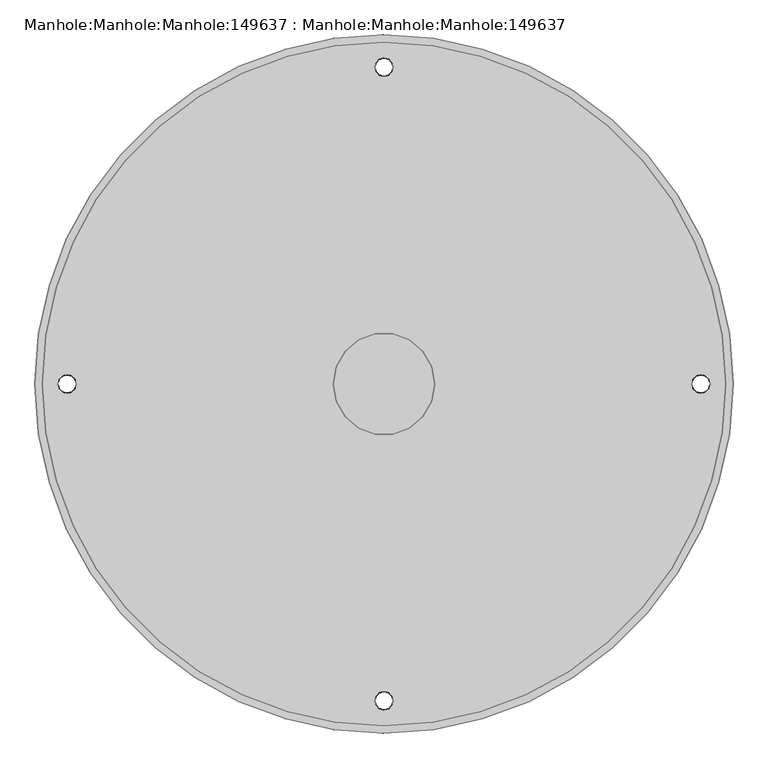
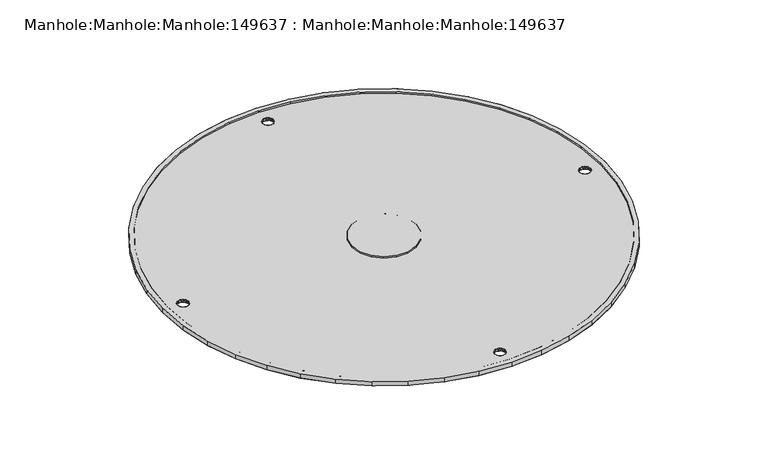
"""IFC4 building model written with IfcOpenShell, lengths in millimetres: proxy geometry, Manhole:Manhole:Manhole:149637 : Manhole:Manhole:Manhole:149637."""

from ifc_helpers import new_model, si_unit, origin, place, context, project, spatial, triangles, source, transform, mapped, element, save


def manhole_manhole_manhole_149637_manhole_manhole_manhole_f553eec3(model_context):
    return source(origin(), model_context, "Body", "Tessellation", [
        triangles([(-95945.9947266, 93799.5210938, 238614.1050293), (-95952.198999, 93886.2692871, 238614.1050293), (-95970.6908936, 93971.2594482, 238614.1050293), (-96001.0797363, 94052.7521484, 238614.1050293), (-96042.7702148, 94129.0916748, 238614.1050293), (-96094.8879639, 94198.715332, 238614.1050293), (-96156.3911865, 94260.2185547, 238614.1050293), (-96226.0241455, 94312.3456055, 238614.1050293), (-96302.3543701, 94354.0267822, 238614.1050293), (-96383.8470703, 94384.4249268, 238614.1050293), (-96468.8372314, 94402.9075195, 238614.1050293), (-96555.5947266, 94409.1210938, 238614.1050293), (-96642.3522217, 94402.9075195, 238614.1050293), (-96727.3423828, 94384.4249268, 238614.1050293), (-96808.835083, 94354.0267822, 238614.1050293), (-96885.1653076, 94312.3456055, 238614.1050293), (-96954.7982666, 94260.2185547, 238614.1050293), (-97016.3014893, 94198.715332, 238614.1050293), (-97068.4192383, 94129.0916748, 238614.1050293), (-97110.1097168, 94052.7521484, 238614.1050293), (-97140.4985596, 93971.2594482, 238614.1050293), (-97158.9904541, 93886.2692871, 238614.1050293), (-97165.1947266, 93799.5210938, 238614.1050293), (-97158.9904541, 93712.7635986, 238614.1050293), (-97140.4985596, 93627.7734375, 238614.1050293), (-97110.1097168, 93546.2807373, 238614.1050293), (-97068.4192383, 93469.9412109, 238614.1050293), (-97016.3014893, 93400.3175537, 238614.1050293), (-96954.7982666, 93338.8143311, 238614.1050293), (-96885.1653076, 93286.6872803, 238614.1050293), (-96808.835083, 93245.0061035, 238614.1050293), (-96727.3423828, 93214.607959, 238614.1050293), (-96642.3522217, 93196.1253662, 238614.1050293), (-96555.5947266, 93189.9210938, 238614.1050293), (-96468.8372314, 93196.1253662, 238614.1050293), (-96383.8470703, 93214.607959, 238614.1050293), (-96302.3543701, 93245.0061035, 238614.1050293), (-96226.0241455, 93286.6872803, 238614.1050293), (-96156.3911865, 93338.8143311, 238614.1050293), (-96094.8879639, 93400.3175537, 238614.1050293), (-96042.7702148, 93469.9412109, 238614.1050293), (-96001.0797363, 93546.2807373, 238614.1050293), (-95970.6908936, 93627.7734375, 238614.1050293), (-95952.198999, 93712.7635986, 238614.1050293), (-97152.4978271, 93799.5210938, 238614.1050293), (-97146.4237793, 93884.4647461, 238614.1050293), (-97128.3132568, 93967.6782715, 238614.1050293), (-97098.5569336, 94047.4780518, 238614.1050293), (-97057.7408203, 94122.2269775, 238614.1050293), (-97006.7020752, 94190.3995605, 238614.1050293), (-96946.4824951, 94250.6191406, 238614.1050293), (-96878.3006104, 94301.6578857, 238614.1050293), (-96803.5516846, 94342.473999, 238614.1050293), (-96723.7612061, 94372.239624, 238614.1050293), (-96640.5383789, 94390.3408447, 238614.1050293), (-96555.5947266, 94396.4148926, 238614.1050293), (-96470.6510742, 94390.3408447, 238614.1050293), (-96387.4282471, 94372.239624, 238614.1050293), (-96307.6377686, 94342.473999, 238614.1050293), (-96232.8888428, 94301.6578857, 238614.1050293), (-96164.706958, 94250.6191406, 238614.1050293), (-96104.4873779, 94190.3995605, 238614.1050293), (-96053.4486328, 94122.2269775, 238614.1050293), (-96012.6325195, 94047.4780518, 238614.1050293), (-95982.8761963, 93967.6782715, 238614.1050293), (-95964.7749756, 93884.4647461, 238614.1050293), (-95958.691626, 93799.5210938, 238614.1050293), (-95964.7749756, 93714.5681396, 238614.1050293), (-95982.8761963, 93631.3546143, 238614.1050293), (-96012.6325195, 93551.554834, 238614.1050293), (-96053.4486328, 93476.8059082, 238614.1050293), (-96104.4873779, 93408.6333252, 238614.1050293), (-96164.706958, 93348.4137451, 238614.1050293), (-96232.8888428, 93297.375, 238614.1050293), (-96307.6377686, 93256.5588867, 238614.1050293), (-96387.4282471, 93226.7932617, 238614.1050293), (-96470.6510742, 93208.692041, 238614.1050293), (-96555.5947266, 93202.6179932, 238614.1050293), (-96640.5383789, 93208.692041, 238614.1050293), (-96723.7612061, 93226.7932617, 238614.1050293), (-96803.5516846, 93256.5588867, 238614.1050293), (-96878.3006104, 93297.375, 238614.1050293), (-96946.4824951, 93348.4137451, 238614.1050293), (-97006.7020752, 93408.6333252, 238614.1050293), (-97057.7408203, 93476.8059082, 238614.1050293), (-97098.5569336, 93551.554834, 238614.1050293), (-97128.3132568, 93631.3546143, 238614.1050293), (-97146.4237793, 93714.5681396, 238614.1050293), (-96644.491626, 93799.5210938, 238614.1050293), (-96639.1338135, 93769.1136475, 238614.1050293), (-96623.6928955, 93742.3710938, 238614.1050293), (-96600.0478271, 93722.5304443, 238614.1050293), (-96571.0356445, 93711.9636475, 238614.1050293), (-96540.1538086, 93711.9636475, 238614.1050293), (-96511.141626, 93722.5304443, 238614.1050293), (-96487.4965576, 93742.3710938, 238614.1050293), (-96472.0556396, 93769.1136475, 238614.1050293), (-96466.6978271, 93799.5210938, 238614.1050293), (-96472.0556396, 93829.9192383, 238614.1050293), (-96487.4965576, 93856.661792, 238614.1050293), (-96511.141626, 93876.5024414, 238614.1050293), (-96540.1538086, 93887.0692383, 238614.1050293), (-96571.0356445, 93887.0692383, 238614.1050293), (-96600.0478271, 93876.5024414, 238614.1050293), (-96623.6928955, 93856.661792, 238614.1050293), (-96639.1338135, 93829.9192383, 238614.1050293), (-95945.9947266, 93799.5210938, 238601.4174316), (-95952.198999, 93712.7635986, 238601.4174316), (-95970.6908936, 93627.7734375, 238601.4174316), (-96001.0797363, 93546.2807373, 238601.4174316), (-96042.7702148, 93469.9412109, 238601.4174316), (-96094.8879639, 93400.3175537, 238601.4174316), (-96156.3911865, 93338.8143311, 238601.4174316), (-96226.0241455, 93286.6872803, 238601.4174316), (-96302.3543701, 93245.0061035, 238601.4174316), (-96383.8470703, 93214.607959, 238601.4174316), (-96468.8372314, 93196.1253662, 238601.4174316), (-96555.5947266, 93189.9210938, 238601.4174316), (-96642.3522217, 93196.1253662, 238601.4174316), (-96727.3423828, 93214.607959, 238601.4174316), (-96808.835083, 93245.0061035, 238601.4174316), (-96885.1653076, 93286.6872803, 238601.4174316), (-96954.7982666, 93338.8143311, 238601.4174316), (-97016.3014893, 93400.3175537, 238601.4174316), (-97068.4192383, 93469.9412109, 238601.4174316), (-97110.1097168, 93546.2807373, 238601.4174316), (-97140.4985596, 93627.7734375, 238601.4174316), (-97158.9904541, 93712.7635986, 238601.4174316), (-97165.1947266, 93799.5210938, 238601.4174316), (-97158.9904541, 93886.2692871, 238601.4174316), (-97140.4985596, 93971.2594482, 238601.4174316), (-97110.1097168, 94052.7521484, 238601.4174316), (-97068.4192383, 94129.0916748, 238601.4174316), (-97016.3014893, 94198.715332, 238601.4174316), (-96954.7982666, 94260.2185547, 238601.4174316), (-96885.1653076, 94312.3456055, 238601.4174316), (-96808.835083, 94354.0267822, 238601.4174316), (-96727.3423828, 94384.4249268, 238601.4174316), (-96642.3522217, 94402.9075195, 238601.4174316), (-96555.5947266, 94409.1210938, 238601.4174316), (-96468.8372314, 94402.9075195, 238601.4174316), (-96383.8470703, 94384.4249268, 238601.4174316), (-96302.3543701, 94354.0267822, 238601.4174316), (-96226.0241455, 94312.3456055, 238601.4174316), (-96156.3911865, 94260.2185547, 238601.4174316), (-96094.8879639, 94198.715332, 238601.4174316), (-96042.7702148, 94129.0916748, 238601.4174316), (-96001.0797363, 94052.7521484, 238601.4174316), (-95970.6908936, 93971.2594482, 238601.4174316), (-95952.198999, 93886.2692871, 238601.4174316), (-96539.5864014, 93246.1688232, 238601.4174316), (-96541.1677002, 93253.1172363, 238601.4174316), (-96545.6139404, 93258.6889893, 238601.4174316), (-96552.0321533, 93261.7771729, 238601.4174316), (-96559.1572998, 93261.7771729, 238601.4174316), (-96565.5755127, 93258.6889893, 238601.4174316), (-96570.0217529, 93253.1172363, 238601.4174316), (-96571.6030518, 93246.1688232, 238601.4174316), (-96570.0217529, 93239.2204102, 238601.4174316), (-96565.5755127, 93233.6486572, 238601.4174316), (-96559.1572998, 93230.5604736, 238601.4174316), (-96552.0321533, 93230.5604736, 238601.4174316), (-96545.6139404, 93233.6486572, 238601.4174316), (-96541.1677002, 93239.2204102, 238601.4174316), (-96539.5864014, 94352.8640625, 238601.4174316), (-96541.1677002, 94359.8124756, 238601.4174316), (-96545.6139404, 94365.3842285, 238601.4174316), (-96552.0321533, 94368.4724121, 238601.4174316), (-96559.1572998, 94368.4724121, 238601.4174316), (-96565.5755127, 94365.3842285, 238601.4174316), (-96570.0217529, 94359.8124756, 238601.4174316), (-96571.6030518, 94352.8640625, 238601.4174316), (-96570.0217529, 94345.9156494, 238601.4174316), (-96565.5755127, 94340.3438965, 238601.4174316), (-96559.1572998, 94337.2557129, 238601.4174316), (-96552.0321533, 94337.2557129, 238601.4174316), (-96545.6139404, 94340.3438965, 238601.4174316), (-96541.1677002, 94345.9156494, 238601.4174316), (-97092.9293701, 93799.5210938, 238601.4174316), (-97094.5199707, 93806.4602051, 238601.4174316), (-97098.9569092, 93812.031958, 238601.4174316), (-97105.3751221, 93815.1294434, 238601.4174316), (-97112.5002686, 93815.1294434, 238601.4174316), (-97118.9277832, 93812.031958, 238601.4174316), (-97123.3647217, 93806.4602051, 238601.4174316), (-97124.9553223, 93799.5210938, 238601.4174316), (-97123.3647217, 93792.5726807, 238601.4174316), (-97118.9277832, 93787.0009277, 238601.4174316), (-97112.5002686, 93783.9034424, 238601.4174316), (-97105.3751221, 93783.9034424, 238601.4174316), (-97098.9569092, 93787.0009277, 238601.4174316), (-97094.5199707, 93792.5726807, 238601.4174316), (-96018.260083, 93799.5210938, 238601.4174316), (-96016.6694824, 93792.5726807, 238601.4174316), (-96012.2325439, 93787.0009277, 238601.4174316), (-96005.8143311, 93783.9034424, 238601.4174316), (-95998.6891846, 93783.9034424, 238601.4174316), (-95992.2616699, 93787.0009277, 238601.4174316), (-95987.8247314, 93792.5726807, 238601.4174316), (-95986.2341309, 93799.5210938, 238601.4174316), (-95987.8247314, 93806.4602051, 238601.4174316), (-95992.2616699, 93812.031958, 238601.4174316), (-95998.6891846, 93815.1294434, 238601.4174316), (-96005.8143311, 93815.1294434, 238601.4174316), (-96012.2325439, 93812.031958, 238601.4174316), (-96016.6694824, 93806.4602051, 238601.4174316), (-96570.5333496, 93250.1685791, 238609.3425293), (-96569.4636475, 93254.1776367, 238609.3425293), (-96544.6558594, 93257.1076904, 238609.3425293), (-96543.3908203, 93255.8984619, 238601.4174316), (-96567.7986328, 93255.8984619, 238601.4174316), (-96570.8124023, 93249.6476807, 238601.4174316), (-96571.6030518, 93246.1688232, 238609.3425293), (-96540.6561035, 93250.1685791, 238609.3425293), (-96540.3770508, 93249.6476807, 238601.4174316), (-96539.5864014, 93246.1688232, 238609.3425293), (-96563.60354, 93260.0377441, 238609.3425293), (-96566.5335938, 93257.1076904, 238609.3425293), (-96555.5947266, 93262.1771484, 238609.3425293), (-96555.5947266, 93261.7771729, 238601.4174316), (-96548.8230469, 93260.2330811, 238601.4174316), (-96547.5859131, 93260.0377441, 238609.3425293), (-96551.5949707, 93261.1074463, 238609.3425293), (-96559.5944824, 93261.1074463, 238609.3425293), (-96562.3664063, 93260.2330811, 238601.4174316), (-96541.7258057, 93254.1776367, 238609.3425293), (-96541.7258057, 93238.1600098, 238609.3425293), (-96540.6561035, 93242.1690674, 238609.3425293), (-96567.7986328, 93236.4391846, 238601.4174316), (-96566.5335938, 93235.2299561, 238609.3425293), (-96543.3908203, 93236.4391846, 238601.4174316), (-96540.3770508, 93242.6992676, 238601.4174316), (-96570.8124023, 93242.6992676, 238601.4174316), (-96570.5333496, 93242.1690674, 238609.3425293), (-96544.6558594, 93235.2299561, 238609.3425293), (-96547.5859131, 93232.2999023, 238609.3425293), (-96555.5947266, 93230.5604736, 238601.4174316), (-96555.5947266, 93230.160498, 238609.3425293), (-96563.60354, 93232.2999023, 238609.3425293), (-96562.3664063, 93232.1045654, 238601.4174316), (-96559.5944824, 93231.2302002, 238609.3425293), (-96551.5949707, 93231.2302002, 238609.3425293), (-96548.8230469, 93232.1045654, 238601.4174316), (-96569.4636475, 93238.1600098, 238609.3425293), (-96569.4636475, 94360.872876, 238609.3425293), (-96570.5333496, 94356.8638184, 238609.3425293), (-96543.3908203, 94362.5937012, 238601.4174316), (-96544.6558594, 94363.8029297, 238609.3425293), (-96567.7986328, 94362.5937012, 238601.4174316), (-96571.6030518, 94352.8640625, 238609.3425293), (-96570.8124023, 94356.3336182, 238601.4174316), (-96539.5864014, 94352.8640625, 238609.3425293), (-96540.3770508, 94356.3336182, 238601.4174316), (-96540.6561035, 94356.8638184, 238609.3425293), (-96566.5335938, 94363.8029297, 238609.3425293), (-96563.60354, 94366.7329834, 238609.3425293), (-96555.5947266, 94368.4724121, 238601.4174316), (-96555.5947266, 94368.8723877, 238609.3425293), (-96547.5859131, 94366.7329834, 238609.3425293), (-96548.8230469, 94366.9283203, 238601.4174316), (-96551.5949707, 94367.8026855, 238609.3425293), (-96559.5944824, 94367.8026855, 238609.3425293), (-96562.3664063, 94366.9283203, 238601.4174316), (-96541.7258057, 94360.872876, 238609.3425293), (-96540.6561035, 94348.8643066, 238609.3425293), (-96541.7258057, 94344.855249, 238609.3425293), (-96566.5335938, 94341.9251953, 238609.3425293), (-96567.7986328, 94343.1344238, 238601.4174316), (-96543.3908203, 94343.1344238, 238601.4174316), (-96540.3770508, 94349.3945068, 238601.4174316), (-96570.5333496, 94348.8643066, 238609.3425293), (-96570.8124023, 94349.3945068, 238601.4174316), (-96547.5859131, 94338.9951416, 238609.3425293), (-96544.6558594, 94341.9251953, 238609.3425293), (-96555.5947266, 94336.8557373, 238609.3425293), (-96555.5947266, 94337.2557129, 238601.4174316), (-96562.3664063, 94338.7998047, 238601.4174316), (-96563.60354, 94338.9951416, 238609.3425293), (-96559.5944824, 94337.9254395, 238609.3425293), (-96551.5949707, 94337.9254395, 238609.3425293), (-96548.8230469, 94338.7998047, 238601.4174316), (-96569.4636475, 94344.855249, 238609.3425293), (-97122.8066162, 93807.5206055, 238609.3425293), (-97123.8763184, 93803.5208496, 238609.3425293), (-97098.0081299, 93810.4506592, 238609.3425293), (-97096.7337891, 93809.2507324, 238601.4174316), (-97121.1416016, 93809.2507324, 238601.4174316), (-97124.9553223, 93799.5210938, 238609.3425293), (-97124.1553711, 93802.9906494, 238601.4174316), (-97093.9990723, 93803.5208496, 238609.3425293), (-97093.7200195, 93802.9906494, 238601.4174316), (-97092.9293701, 93799.5210938, 238609.3425293), (-97119.8765625, 93810.4506592, 238609.3425293), (-97116.9465088, 93813.3807129, 238609.3425293), (-97108.9376953, 93815.1294434, 238601.4174316), (-97108.9376953, 93815.5294189, 238609.3425293), (-97102.1660156, 93813.5760498, 238601.4174316), (-97100.9381836, 93813.3807129, 238609.3425293), (-97104.9379395, 93814.450415, 238609.3425293), (-97112.9467529, 93814.450415, 238609.3425293), (-97115.7186768, 93813.5760498, 238601.4174316), (-97095.0780762, 93807.5206055, 238609.3425293), (-97093.9990723, 93795.5120361, 238609.3425293), (-97095.0780762, 93791.5122803, 238609.3425293), (-97121.1416016, 93789.7821533, 238601.4174316), (-97119.8765625, 93788.5822266, 238609.3425293), (-97096.7337891, 93789.7821533, 238601.4174316), (-97093.7200195, 93796.0422363, 238601.4174316), (-97124.1553711, 93796.0422363, 238601.4174316), (-97123.8763184, 93795.5120361, 238609.3425293), (-97100.9381836, 93785.6521729, 238609.3425293), (-97098.0081299, 93788.5822266, 238609.3425293), (-97108.9376953, 93783.9034424, 238601.4174316), (-97108.9376953, 93783.5034668, 238609.3425293), (-97116.9465088, 93785.6521729, 238609.3425293), (-97115.7186768, 93785.4568359, 238601.4174316), (-97112.9467529, 93784.5824707, 238609.3425293), (-97104.9379395, 93784.5824707, 238609.3425293), (-97102.1660156, 93785.4568359, 238601.4174316), (-97122.8066162, 93791.5122803, 238609.3425293), (-95988.3828369, 93791.5122803, 238609.3425293), (-95987.3131348, 93795.5120361, 238609.3425293), (-96013.1813232, 93788.5822266, 238609.3425293), (-96014.4556641, 93789.7821533, 238601.4174316), (-95990.0478516, 93789.7821533, 238601.4174316), (-95986.2341309, 93799.5210938, 238609.3425293), (-95987.034082, 93796.0422363, 238601.4174316), (-96017.1903809, 93795.5120361, 238609.3425293), (-96017.4694336, 93796.0422363, 238601.4174316), (-96018.260083, 93799.5210938, 238609.3425293), (-95991.3128906, 93788.5822266, 238609.3425293), (-95994.2429443, 93785.6521729, 238609.3425293), (-96002.2517578, 93783.9034424, 238601.4174316), (-96002.2517578, 93783.5034668, 238609.3425293), (-96009.0234375, 93785.4568359, 238601.4174316), (-96010.2512695, 93785.6521729, 238609.3425293), (-96006.2515137, 93784.5824707, 238609.3425293), (-95998.2427002, 93784.5824707, 238609.3425293), (-95995.4800781, 93785.4568359, 238601.4174316), (-96016.111377, 93791.5122803, 238609.3425293), (-96017.1903809, 93803.5208496, 238609.3425293), (-96016.111377, 93807.5206055, 238609.3425293), (-95990.0478516, 93809.2507324, 238601.4174316), (-95991.3128906, 93810.4506592, 238609.3425293), (-96014.4556641, 93809.2507324, 238601.4174316), (-96017.4694336, 93802.9906494, 238601.4174316), (-95987.034082, 93802.9906494, 238601.4174316), (-95987.3131348, 93803.5208496, 238609.3425293), (-96010.2512695, 93813.3807129, 238609.3425293), (-96013.1813232, 93810.4506592, 238609.3425293), (-96002.2517578, 93815.1294434, 238601.4174316), (-96002.2517578, 93815.5294189, 238609.3425293), (-95994.2429443, 93813.3807129, 238609.3425293), (-95995.4800781, 93813.5760498, 238601.4174316), (-95998.2427002, 93814.450415, 238609.3425293), (-96006.2515137, 93814.450415, 238609.3425293), (-96009.0234375, 93813.5760498, 238601.4174316), (-95988.3828369, 93807.5206055, 238609.3425293), (-95958.691626, 93799.5210938, 238609.3425293), (-95964.7749756, 93884.4647461, 238609.3425293), (-95982.8761963, 93967.6782715, 238609.3425293), (-96012.6325195, 94047.4780518, 238609.3425293), (-96053.4486328, 94122.2269775, 238609.3425293), (-96104.4873779, 94190.3995605, 238609.3425293), (-96164.706958, 94250.6191406, 238609.3425293), (-96232.8888428, 94301.6578857, 238609.3425293), (-96307.6377686, 94342.473999, 238609.3425293), (-96387.4282471, 94372.239624, 238609.3425293), (-96470.6510742, 94390.3408447, 238609.3425293), (-96555.5947266, 94396.4148926, 238609.3425293), (-96640.5383789, 94390.3408447, 238609.3425293), (-96723.7612061, 94372.239624, 238609.3425293), (-96803.5516846, 94342.473999, 238609.3425293), (-96878.3006104, 94301.6578857, 238609.3425293), (-96946.4824951, 94250.6191406, 238609.3425293), (-97006.7020752, 94190.3995605, 238609.3425293), (-97057.7408203, 94122.2269775, 238609.3425293), (-97098.5569336, 94047.4780518, 238609.3425293), (-97128.3132568, 93967.6782715, 238609.3425293), (-97146.4237793, 93884.4647461, 238609.3425293), (-97152.4978271, 93799.5210938, 238609.3425293), (-97146.4237793, 93714.5681396, 238609.3425293), (-97128.3132568, 93631.3546143, 238609.3425293), (-97098.5569336, 93551.554834, 238609.3425293), (-97057.7408203, 93476.8059082, 238609.3425293), (-97006.7020752, 93408.6333252, 238609.3425293), (-96946.4824951, 93348.4137451, 238609.3425293), (-96878.3006104, 93297.375, 238609.3425293), (-96803.5516846, 93256.5588867, 238609.3425293), (-96723.7612061, 93226.7932617, 238609.3425293), (-96640.5383789, 93208.692041, 238609.3425293), (-96555.5947266, 93202.6179932, 238609.3425293), (-96470.6510742, 93208.692041, 238609.3425293), (-96387.4282471, 93226.7932617, 238609.3425293), (-96307.6377686, 93256.5588867, 238609.3425293), (-96232.8888428, 93297.375, 238609.3425293), (-96164.706958, 93348.4137451, 238609.3425293), (-96104.4873779, 93408.6333252, 238609.3425293), (-96053.4486328, 93476.8059082, 238609.3425293), (-96012.6325195, 93551.554834, 238609.3425293), (-95982.8761963, 93631.3546143, 238609.3425293), (-95964.7749756, 93714.5681396, 238609.3425293), (-96466.6978271, 93799.5210938, 238609.3425293), (-96472.0556396, 93769.1136475, 238609.3425293), (-96487.4965576, 93742.3710938, 238609.3425293), (-96511.141626, 93722.5304443, 238609.3425293), (-96540.1538086, 93711.9636475, 238609.3425293), (-96571.0356445, 93711.9636475, 238609.3425293), (-96600.0478271, 93722.5304443, 238609.3425293), (-96623.6928955, 93742.3710938, 238609.3425293), (-96639.1338135, 93769.1136475, 238609.3425293), (-96644.491626, 93799.5210938, 238609.3425293), (-96639.1338135, 93829.9192383, 238609.3425293), (-96623.6928955, 93856.661792, 238609.3425293), (-96600.0478271, 93876.5024414, 238609.3425293), (-96571.0356445, 93887.0692383, 238609.3425293), (-96540.1538086, 93887.0692383, 238609.3425293), (-96511.141626, 93876.5024414, 238609.3425293), (-96487.4965576, 93856.661792, 238609.3425293), (-96472.0556396, 93829.9192383, 238609.3425293)], [[38, 74, 75], [74, 38, 39], [39, 40, 73], [39, 73, 74], [35, 36, 77], [77, 36, 76], [35, 77, 78], [76, 37, 75], [37, 76, 36], [75, 37, 38], [73, 40, 72], [43, 44, 68], [44, 67, 68], [67, 44, 1], [67, 1, 66], [43, 68, 69], [72, 41, 71], [41, 72, 40], [71, 41, 42], [42, 69, 70], [69, 42, 43], [42, 70, 71], [33, 34, 79], [79, 80, 33], [78, 79, 34], [34, 35, 78], [33, 80, 32], [32, 81, 31], [81, 32, 80], [31, 81, 82], [29, 30, 83], [82, 30, 31], [82, 83, 30], [84, 29, 83], [29, 84, 28], [85, 27, 28], [27, 85, 86], [85, 28, 84], [25, 26, 87], [86, 26, 27], [87, 26, 86], [88, 24, 25], [24, 88, 45], [88, 25, 87], [66, 2, 65], [2, 66, 1], [64, 65, 3], [3, 65, 2], [64, 3, 4], [4, 63, 64], [63, 4, 5], [63, 5, 62], [62, 6, 61], [6, 62, 5], [61, 6, 7], [60, 7, 8], [8, 9, 59], [59, 9, 58], [8, 59, 60], [58, 10, 57], [10, 58, 9], [57, 10, 11], [56, 11, 12], [11, 56, 57], [56, 12, 55], [60, 61, 7], [48, 20, 21], [20, 48, 19], [19, 49, 18], [18, 49, 50], [49, 19, 48], [45, 46, 23], [23, 46, 22], [45, 23, 24], [22, 47, 21], [47, 22, 46], [21, 47, 48], [53, 54, 14], [13, 14, 54], [13, 55, 12], [13, 54, 55], [53, 14, 15], [50, 17, 18], [50, 51, 17], [17, 51, 16], [52, 15, 16], [15, 52, 53], [52, 16, 51], [103, 104, 105], [105, 106, 103], [89, 103, 106], [102, 103, 101], [103, 100, 101], [100, 103, 99], [99, 103, 98], [103, 89, 90], [96, 90, 91], [92, 93, 91], [94, 91, 93], [103, 97, 98], [96, 94, 95], [96, 97, 90], [94, 96, 91], [97, 103, 90], [148, 206, 147], [149, 205, 148], [150, 203, 204], [203, 150, 202], [149, 150, 205], [146, 147, 206], [142, 143, 177], [143, 144, 177], [176, 145, 146], [144, 145, 176], [178, 141, 142], [204, 205, 150], [202, 107, 201], [107, 202, 150], [201, 107, 200], [199, 200, 107], [198, 199, 107], [198, 108, 197], [206, 176, 146], [205, 206, 148], [196, 197, 108], [154, 193, 194], [194, 195, 110], [176, 206, 193], [198, 107, 108], [193, 179, 175], [140, 167, 168], [140, 141, 167], [140, 168, 169], [165, 166, 141], [178, 165, 141], [141, 166, 167], [173, 138, 139], [170, 140, 169], [139, 140, 170], [171, 172, 139], [170, 171, 139], [172, 173, 139], [174, 137, 138], [174, 136, 137], [176, 193, 175], [136, 174, 175], [144, 176, 177], [174, 138, 173], [175, 134, 135], [135, 136, 175], [133, 134, 180], [133, 180, 132], [181, 131, 132], [130, 131, 181], [175, 180, 134], [178, 142, 177], [195, 196, 108], [195, 109, 110], [194, 110, 111], [154, 194, 112], [112, 194, 111], [154, 112, 113], [154, 114, 153], [153, 114, 115], [155, 193, 154], [193, 155, 179], [153, 115, 116], [154, 113, 114], [122, 155, 156], [151, 152, 117], [164, 151, 117], [164, 117, 163], [117, 152, 116], [163, 117, 118], [152, 153, 116], [158, 159, 119], [157, 158, 119], [162, 118, 161], [118, 162, 163], [160, 161, 118], [160, 119, 159], [119, 160, 118], [156, 157, 120], [182, 130, 181], [181, 132, 180], [179, 155, 192], [191, 192, 126], [179, 180, 175], [184, 185, 129], [184, 129, 130], [186, 187, 129], [188, 129, 187], [186, 129, 185], [184, 130, 183], [182, 183, 130], [123, 124, 155], [155, 124, 192], [123, 155, 122], [156, 121, 122], [192, 124, 125], [189, 190, 128], [188, 189, 128], [128, 191, 127], [190, 191, 128], [126, 127, 191], [125, 126, 192], [188, 128, 129], [156, 120, 121], [119, 120, 157], [195, 108, 109], [27, 26, 126], [126, 125, 27], [26, 25, 127], [127, 126, 26], [28, 27, 125], [125, 124, 28], [32, 31, 121], [121, 120, 32], [33, 32, 120], [120, 119, 33], [30, 29, 123], [123, 122, 30], [31, 30, 122], [122, 121, 31], [29, 28, 124], [124, 123, 29], [34, 33, 118], [119, 118, 33], [127, 25, 24], [24, 128, 127], [128, 24, 23], [23, 129, 128], [38, 37, 115], [115, 114, 38], [36, 35, 116], [117, 116, 35], [37, 36, 116], [116, 115, 37], [39, 38, 114], [114, 113, 39], [43, 42, 110], [110, 109, 43], [44, 43, 109], [109, 108, 44], [41, 40, 112], [112, 111, 41], [42, 41, 111], [111, 110, 42], [40, 39, 113], [113, 112, 40], [1, 44, 107], [108, 107, 44], [118, 117, 35], [35, 34, 118], [1, 107, 2], [150, 2, 107], [3, 149, 148], [148, 4, 3], [2, 150, 3], [149, 3, 150], [4, 148, 147], [147, 5, 4], [11, 10, 141], [142, 141, 10], [6, 146, 145], [145, 7, 6], [12, 11, 141], [141, 140, 12], [5, 147, 6], [146, 6, 147], [7, 145, 8], [144, 8, 145], [144, 143, 9], [9, 8, 144], [10, 9, 143], [143, 142, 10], [16, 15, 137], [137, 136, 16], [14, 13, 139], [139, 138, 14], [15, 14, 138], [138, 137, 15], [17, 16, 136], [136, 135, 17], [21, 20, 132], [132, 131, 21], [22, 21, 131], [131, 130, 22], [19, 18, 134], [134, 133, 19], [20, 19, 133], [133, 132, 20], [18, 17, 135], [135, 134, 18], [23, 22, 129], [130, 129, 22], [140, 139, 12], [13, 12, 139], [207, 157, 208], [209, 153, 210], [208, 157, 211], [158, 212, 213], [214, 215, 216], [156, 217, 218], [154, 219, 220], [155, 220, 219], [221, 153, 222], [211, 218, 208], [212, 157, 207], [212, 207, 213], [222, 223, 221], [155, 219, 224], [214, 152, 215], [217, 225, 224], [211, 156, 218], [209, 222, 153], [221, 223, 154], [155, 224, 225], [209, 210, 226], [214, 226, 152], [223, 219, 154], [151, 216, 215], [152, 226, 210], [217, 156, 225], [227, 164, 228], [229, 160, 230], [231, 164, 227], [216, 232, 151], [213, 233, 234], [235, 236, 163], [161, 237, 238], [162, 238, 237], [239, 160, 240], [227, 235, 231], [228, 164, 232], [216, 228, 232], [240, 241, 239], [242, 238, 162], [233, 159, 234], [242, 243, 236], [235, 163, 231], [160, 239, 230], [161, 241, 240], [243, 242, 162], [244, 229, 230], [159, 244, 234], [161, 238, 241], [233, 213, 158], [229, 244, 159], [243, 163, 236], [245, 171, 246], [247, 167, 248], [249, 171, 245], [250, 251, 172], [252, 253, 254], [255, 256, 170], [258, 168, 257], [257, 169, 258], [259, 167, 260], [245, 255, 249], [246, 171, 251], [250, 246, 251], [260, 261, 259], [262, 258, 169], [253, 166, 254], [262, 263, 256], [255, 170, 249], [167, 259, 248], [168, 261, 260], [263, 262, 169], [264, 247, 248], [166, 264, 254], [168, 258, 261], [253, 252, 165], [247, 264, 166], [263, 170, 256], [265, 178, 266], [267, 174, 268], [266, 178, 269], [165, 270, 252], [271, 272, 250], [177, 273, 274], [175, 275, 276], [176, 276, 275], [277, 174, 278], [269, 274, 266], [270, 178, 265], [270, 265, 252], [278, 279, 277], [176, 275, 280], [271, 173, 272], [273, 281, 280], [269, 177, 274], [267, 278, 174], [277, 279, 175], [176, 280, 281], [267, 268, 282], [271, 282, 173], [279, 275, 175], [172, 250, 272], [173, 282, 268], [273, 177, 281], [283, 185, 284], [285, 181, 286], [287, 185, 283], [288, 289, 186], [290, 291, 292], [293, 294, 184], [182, 295, 296], [183, 296, 295], [297, 181, 298], [283, 293, 287], [284, 185, 289], [288, 284, 289], [298, 299, 297], [300, 296, 183], [290, 180, 291], [300, 301, 294], [293, 184, 287], [285, 298, 181], [297, 299, 182], [301, 300, 183], [285, 286, 302], [290, 302, 180], [299, 296, 182], [291, 179, 292], [180, 302, 286], [301, 184, 294], [303, 192, 304], [305, 188, 306], [304, 192, 307], [179, 308, 292], [288, 309, 310], [191, 311, 312], [189, 313, 314], [190, 314, 313], [315, 188, 316], [307, 312, 304], [308, 192, 303], [308, 303, 292], [316, 317, 315], [190, 314, 318], [309, 187, 310], [311, 319, 318], [307, 191, 312], [188, 315, 306], [189, 317, 316], [190, 318, 319], [320, 305, 306], [187, 320, 310], [189, 314, 317], [309, 288, 186], [305, 320, 187], [311, 191, 319], [321, 199, 322], [323, 195, 324], [325, 199, 321], [326, 327, 200], [328, 329, 330], [331, 332, 198], [196, 333, 334], [197, 334, 333], [335, 195, 336], [321, 331, 325], [322, 199, 327], [326, 322, 327], [336, 337, 335], [338, 334, 197], [328, 194, 329], [338, 339, 332], [331, 198, 325], [323, 336, 195], [335, 337, 196], [339, 338, 197], [323, 324, 340], [328, 340, 194], [337, 334, 196], [193, 330, 329], [194, 340, 324], [339, 198, 332], [341, 206, 342], [343, 202, 344], [342, 206, 345], [330, 193, 346], [326, 347, 348], [205, 349, 350], [203, 351, 352], [204, 352, 351], [353, 202, 354], [345, 350, 342], [346, 206, 341], [346, 341, 330], [354, 355, 353], [204, 352, 356], [347, 201, 348], [349, 357, 356], [345, 205, 350], [202, 353, 344], [203, 355, 354], [204, 356, 357], [358, 343, 344], [201, 358, 348], [203, 352, 355], [347, 326, 200], [343, 358, 201], [349, 205, 357], [399, 405, 398], [399, 404, 405], [336, 401, 402], [334, 402, 332], [400, 401, 340], [399, 400, 404], [394, 226, 393], [395, 222, 394], [396, 397, 406], [405, 406, 397], [397, 398, 405], [396, 406, 395], [406, 222, 395], [334, 336, 402], [332, 359, 321], [359, 332, 402], [321, 359, 326], [358, 326, 359], [352, 353, 360], [358, 359, 353], [359, 360, 353], [340, 330, 404], [340, 404, 400], [420, 330, 342], [404, 330, 403], [361, 342, 349], [420, 403, 330], [401, 336, 340], [349, 352, 360], [392, 236, 238], [236, 392, 227], [392, 238, 239], [216, 393, 226], [394, 222, 226], [216, 227, 393], [392, 393, 227], [390, 391, 208], [244, 392, 239], [391, 392, 244], [208, 217, 390], [244, 213, 391], [208, 391, 213], [390, 217, 389], [217, 409, 389], [407, 219, 222], [408, 219, 407], [217, 219, 408], [409, 217, 408], [387, 409, 410], [389, 409, 388], [385, 410, 411], [410, 386, 387], [387, 388, 409], [385, 411, 384], [304, 383, 384], [386, 410, 385], [311, 382, 383], [411, 304, 384], [407, 222, 406], [342, 361, 362], [420, 342, 362], [364, 419, 363], [363, 420, 362], [365, 419, 364], [420, 363, 419], [419, 365, 418], [418, 273, 417], [416, 417, 275], [275, 417, 273], [418, 367, 273], [367, 418, 366], [366, 418, 365], [266, 273, 368], [252, 266, 369], [369, 264, 252], [370, 259, 264], [264, 369, 370], [369, 266, 368], [273, 367, 368], [372, 278, 282], [416, 275, 278], [258, 370, 256], [370, 258, 259], [245, 256, 370], [370, 371, 245], [250, 245, 371], [371, 282, 250], [304, 311, 383], [411, 292, 304], [311, 314, 382], [413, 292, 412], [292, 413, 302], [379, 298, 302], [315, 320, 381], [314, 315, 382], [283, 294, 381], [288, 381, 320], [381, 288, 283], [294, 380, 381], [315, 381, 382], [378, 302, 413], [412, 292, 411], [416, 278, 415], [375, 414, 415], [373, 415, 278], [374, 415, 373], [373, 278, 372], [282, 371, 372], [375, 415, 374], [298, 380, 296], [298, 379, 380], [296, 380, 294], [377, 378, 413], [378, 379, 302], [414, 376, 377], [414, 375, 376], [413, 414, 377], [349, 360, 361], [413, 412, 89], [89, 106, 413], [415, 414, 105], [105, 104, 415], [414, 413, 106], [106, 105, 414], [416, 415, 104], [104, 103, 416], [417, 416, 103], [103, 102, 417], [418, 417, 102], [102, 101, 418], [420, 419, 100], [100, 99, 420], [419, 418, 101], [101, 100, 419], [403, 420, 99], [99, 98, 403], [404, 403, 98], [98, 97, 404], [406, 405, 96], [96, 95, 406], [405, 404, 97], [97, 96, 405], [407, 406, 95], [95, 94, 407], [408, 407, 94], [94, 93, 408], [409, 408, 93], [93, 92, 409], [411, 410, 91], [91, 90, 411], [410, 409, 92], [92, 91, 410], [412, 411, 90], [90, 89, 412], [87, 88, 382], [382, 383, 87], [384, 86, 87], [87, 383, 384], [88, 45, 381], [381, 382, 88], [385, 85, 86], [86, 384, 385], [387, 83, 84], [84, 386, 387], [386, 84, 85], [85, 385, 386], [391, 79, 80], [80, 390, 391], [390, 80, 81], [81, 389, 390], [389, 81, 82], [82, 388, 389], [388, 82, 83], [83, 387, 388], [79, 391, 392], [392, 78, 79], [394, 76, 77], [77, 393, 394], [397, 73, 74], [74, 396, 397], [396, 74, 75], [75, 395, 396], [395, 75, 76], [76, 394, 395], [400, 70, 71], [71, 399, 400], [399, 71, 72], [72, 398, 399], [359, 67, 68], [68, 402, 359], [402, 68, 69], [69, 401, 402], [401, 69, 70], [70, 400, 401], [398, 72, 73], [73, 397, 398], [78, 392, 393], [393, 77, 78], [62, 63, 363], [363, 364, 62], [64, 65, 361], [361, 362, 64], [65, 66, 360], [360, 361, 65], [63, 64, 362], [362, 363, 63], [59, 60, 366], [366, 367, 59], [60, 61, 365], [365, 366, 60], [369, 57, 368], [58, 368, 57], [368, 58, 59], [59, 367, 368], [61, 62, 364], [364, 365, 61], [370, 56, 369], [57, 369, 56], [359, 360, 67], [66, 67, 360], [372, 54, 55], [55, 371, 372], [375, 51, 52], [52, 374, 375], [374, 52, 53], [53, 373, 374], [373, 53, 54], [54, 372, 373], [378, 48, 49], [49, 377, 378], [377, 49, 50], [50, 376, 377], [381, 45, 380], [46, 380, 45], [380, 46, 47], [47, 379, 380], [379, 47, 48], [48, 378, 379], [376, 50, 51], [51, 375, 376], [56, 370, 55], [371, 55, 370]], closed=False),
    ])


if __name__ == "__main__":
    model = new_model("IFC4")
    model_context = context("Model", 3, world=origin())
    ifc_project = project(units=[si_unit("LENGTHUNIT", "METRE", prefix="MILLI")], contexts=[model_context])
    site = spatial("IfcSite", under=ifc_project)
    building = spatial("IfcBuilding", under=site)
    placement = place(None, origin())
    manhole_manhole_manhole_149637_manhole_manhole_manhole_shape = manhole_manhole_manhole_149637_manhole_manhole_manhole_f553eec3(model_context)
    element("IfcBuildingElementProxy", 1, Name="Manhole:Manhole:Manhole:149637 : Manhole:Manhole:Manhole:149637", ObjectType="Manhole:Manhole:Manhole:149637 : Manhole:Manhole:Manhole:149637", at=placement, inside=building, context=model_context, shape_type="MappedRepresentation", body=[
        mapped(manhole_manhole_manhole_149637_manhole_manhole_manhole_shape, transform((0.0, 0.0, 0.0), x_axis=(1.0, 0.0, 0.0), y_axis=(0.0, 1.0, 0.0), z_axis=(0.0, 0.0, 1.0))),
    ])
    save(model, "model.ifc")
